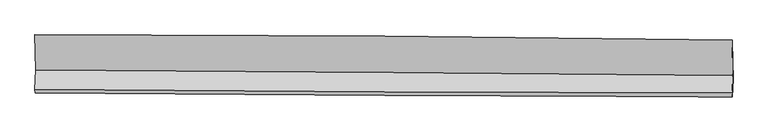
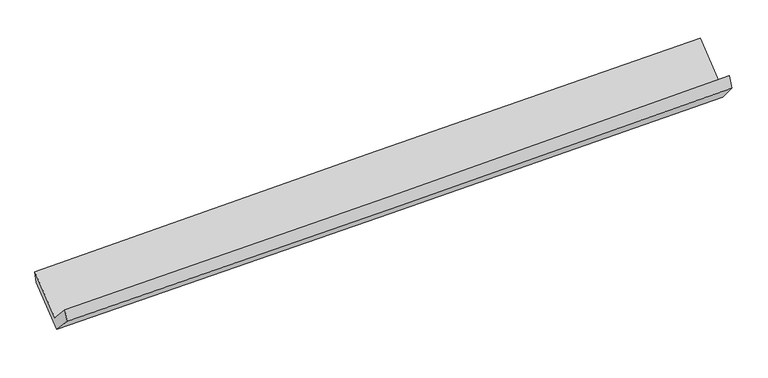
"""IFC4 building model written with IfcOpenShell, lengths in millimetres: proxy geometry."""

import ifcopenshell
import ifcopenshell.guid

model = None  # the IFC model being written
_history = None  # IfcOwnerHistory: only IFC2X3 demands one
_inside = {}  # id of a spatial element -> (the spatial element, [elements in it])
_under = {}  # id of a project, library or spatial element -> (it, [spatial elements below it])
_declared = {}  # id of a project -> (the project, [libraries it declares])
_typed = {}  # id of a type object -> (the type object, [elements of that type])
_made_of = {}  # id of a material, layer set ... -> (it, [elements and type objects made of it])


def new_model(schema):
    """Start an empty IFC model of exactly this schema.

    Asked for "IFC4X3", IfcOpenShell would pick the latest addendum, in which some entities
    have other attributes; the version numbers below select the first issue.
    IFC2X3 requires an IfcOwnerHistory on every rooted entity: one is made here for all.
    """
    global model, _history
    if schema == "IFC4X3":
        model = ifcopenshell.file(schema_version=(4, 3, 0, 0))
    else:
        model = ifcopenshell.file(schema=schema)
    _inside.clear()
    _under.clear()
    _declared.clear()
    _typed.clear()
    _made_of.clear()
    _history = None
    if model.schema == "IFC2X3":
        org = make("IfcOrganization", Name="unknown")
        user = make(
            "IfcPersonAndOrganization",
            ThePerson=make("IfcPerson", FamilyName="unknown"),
            TheOrganization=org,
        )
        app = make(
            "IfcApplication",
            ApplicationDeveloper=org,
            Version="unknown",
            ApplicationFullName="unknown",
            ApplicationIdentifier="unknown",
        )
        _history = make(
            "IfcOwnerHistory",
            OwningUser=user,
            OwningApplication=app,
            ChangeAction="ADDED",
            CreationDate=0,
        )
    return model


def make(cls, **values):
    """One entity of the class cls with the attributes given. An attribute that is None is left unset."""
    return model.create_entity(
        cls, **{name: value for name, value in values.items() if value is not None}
    )


def rooted(cls, **values):
    """An entity with a GlobalId (a new one), such as an element, a storey or a relation."""
    return make(cls, GlobalId=ifcopenshell.guid.new(), OwnerHistory=_history, **values)


def si_unit(unit_type, name, prefix=None):
    """IfcSIUnit, for example si_unit("LENGTHUNIT", "METRE", prefix="MILLI")."""
    return make("IfcSIUnit", UnitType=unit_type, Prefix=prefix, Name=name)


def assignment(units):
    """IfcUnitAssignment: the units of a project."""
    return None if units is None else make("IfcUnitAssignment", Units=units)


def point(xyz):
    """IfcCartesianPoint."""
    return None if xyz is None else make("IfcCartesianPoint", Coordinates=xyz)


def direction(xyz):
    """IfcDirection."""
    return None if xyz is None else make("IfcDirection", DirectionRatios=xyz)


def frame(location, z_axis=None, x_axis=None):
    """IfcAxis2Placement3D, a coordinate frame: its origin and axes. An axis left out is left unset."""
    return make(
        "IfcAxis2Placement3D",
        Location=point(location),
        Axis=direction(z_axis),
        RefDirection=direction(x_axis),
    )


def origin():
    """The frame at (0, 0, 0) with its axes left unset."""
    return frame((0.0, 0.0, 0.0))


def place(relative_to, where):
    """IfcLocalPlacement: puts the frame where relative to a parent placement (None: the world)."""
    return make(
        "IfcLocalPlacement", PlacementRelTo=relative_to, RelativePlacement=where
    )


def context(
    kind, dimensions, precision=None, world=None, true_north=None, identifier=None
):
    """IfcGeometricRepresentationContext, for example the 3D "Model" context."""
    return make(
        "IfcGeometricRepresentationContext",
        ContextIdentifier=identifier,
        ContextType=kind,
        CoordinateSpaceDimension=dimensions,
        Precision=precision,
        WorldCoordinateSystem=world,
        TrueNorth=true_north,
    )


def project(units=None, contexts=None):
    """IfcProject with its units and contexts."""
    return rooted(
        "IfcProject",
        Name="project",
        RepresentationContexts=contexts,
        UnitsInContext=assignment(units),
    )


def spatial(cls, under=None, at=None, **own):
    """A site, building, storey or space (cls), placed at a placement, below another one or the project."""
    s = rooted(cls, ObjectPlacement=at, **own)
    if under is not None:
        _under.setdefault(under.id(), (under, []))[1].append(s)
    return s


def shape(context_of_items, identifier, shape_type, items):
    """IfcShapeRepresentation: the items that make up one representation, for example the "Body"."""
    return make(
        "IfcShapeRepresentation",
        ContextOfItems=context_of_items,
        RepresentationIdentifier=identifier,
        RepresentationType=shape_type,
        Items=items,
    )


def source(mapping_origin, context_of_items, identifier, shape_type, items):
    """IfcRepresentationMap: a shape defined once, which mapped items show again and again."""
    return make(
        "IfcRepresentationMap",
        MappingOrigin=mapping_origin,
        MappedRepresentation=shape(context_of_items, identifier, shape_type, items),
    )


def transform(
    local_origin,
    x_axis=None,
    y_axis=None,
    z_axis=None,
    scale=None,
    scale2=None,
    scale3=None,
    uniform=True,
):
    """IfcCartesianTransformationOperator3D, or its non-uniform kind. x_axis, y_axis, z_axis: its Axis1, 2, 3."""
    if uniform:
        return make(
            "IfcCartesianTransformationOperator3D",
            Axis1=direction(x_axis),
            Axis2=direction(y_axis),
            LocalOrigin=point(local_origin),
            Scale=scale,
            Axis3=direction(z_axis),
        )
    return make(
        "IfcCartesianTransformationOperator3DnonUniform",
        Axis1=direction(x_axis),
        Axis2=direction(y_axis),
        LocalOrigin=point(local_origin),
        Scale=scale,
        Axis3=direction(z_axis),
        Scale2=scale2,
        Scale3=scale3,
    )


def mapped(mapping_source, mapping_target):
    """IfcMappedItem: shows the shape of a source again, moved by a transform."""
    return make(
        "IfcMappedItem", MappingSource=mapping_source, MappingTarget=mapping_target
    )


def made_of(thing, what):
    """Note that an element or type object is made of a material, layer set ...; save() writes the relation."""
    if what is not None:
        _made_of.setdefault(what.id(), (what, []))[1].append(thing)
    return thing


def element(
    cls,
    number,
    at=None,
    inside=None,
    cuts=None,
    type_object=None,
    material=None,
    context=None,
    identifier="Body",
    shape_type=None,
    held_by="IfcProductDefinitionShape",
    body=None,
    shapes=None,
    **own,
):
    """One element of the class cls, such as IfcWall. Its Tag is "e" and its number.

    at: its placement. inside: the storey or other place that contains it. cuts: it is an
    opening in that element (IfcRelVoidsElement). A single representation is given by context,
    identifier, shape_type and body (its items); several are given by shapes. held_by: the class
    of the entity that holds the representations. save() writes the other relations.
    """
    e = rooted(cls, Tag="e%d" % number, ObjectPlacement=at, **own)
    if body is not None:
        shapes = [shape(context, identifier, shape_type, body)]
    if shapes is not None:
        e.Representation = make(held_by, Representations=shapes)
    if inside is not None:
        _inside.setdefault(inside.id(), (inside, []))[1].append(e)
    if cuts is not None:
        rooted(
            "IfcRelVoidsElement", RelatingBuildingElement=cuts, RelatedOpeningElement=e
        )
    if type_object is not None:
        _typed.setdefault(type_object.id(), (type_object, []))[1].append(e)
    return made_of(e, material)


def aggregate(whole, parts):
    """IfcRelAggregates: a whole, such as a stair, and the parts it consists of."""
    return rooted("IfcRelAggregates", RelatingObject=whole, RelatedObjects=parts)


def save(model, path):
    """Write the relations noted so far, then the file.

    IfcRelAggregates (storeys below a building ...), IfcRelContainedInSpatialStructure (elements
    in a storey), IfcRelDefinesByType, IfcRelAssociatesMaterial and IfcRelDeclares: one each for
    every whole, place, type object, material and project.
    """
    for whole, parts in _under.values():
        aggregate(whole, parts)
    for where, things in _inside.values():
        rooted(
            "IfcRelContainedInSpatialStructure",
            RelatedElements=things,
            RelatingStructure=where,
        )
    for kind, things in _typed.values():
        rooted("IfcRelDefinesByType", RelatedObjects=things, RelatingType=kind)
    for what, things in _made_of.values():
        rooted("IfcRelAssociatesMaterial", RelatedObjects=things, RelatingMaterial=what)
    for by, libraries in _declared.values():
        rooted("IfcRelDeclares", RelatingContext=by, RelatedDefinitions=libraries)
    model.write(path)


def plane_surface(at):
    """IfcPlane: the flat surface through the origin of the frame at, square to its z axis."""
    return make("IfcPlane", Position=at)


def spline_curve(degree, points, multiplicities, knots, weights=None):
    """IfcBSplineCurveWithKnots; with weights, IfcRationalBSplineCurveWithKnots."""
    own = dict(
        Degree=degree,
        ControlPointsList=[point(p) for p in points],
        CurveForm="UNSPECIFIED",
        ClosedCurve=False,
        SelfIntersect=False,
        KnotMultiplicities=multiplicities,
        Knots=knots,
        KnotSpec="UNSPECIFIED",
    )
    if weights is None:
        return make("IfcBSplineCurveWithKnots", **own)
    return make("IfcRationalBSplineCurveWithKnots", WeightsData=weights, **own)


def spline_surface(u_degree, v_degree, points, u_multiplicities, v_multiplicities, u_knots, v_knots, weights=None):
    """IfcBSplineSurfaceWithKnots; with weights, IfcRationalBSplineSurfaceWithKnots. points: one row for each step in u."""
    own = dict(
        UDegree=u_degree,
        VDegree=v_degree,
        ControlPointsList=[[point(p) for p in row] for row in points],
        SurfaceForm="UNSPECIFIED",
        UClosed=False,
        VClosed=False,
        SelfIntersect=False,
        UMultiplicities=u_multiplicities,
        VMultiplicities=v_multiplicities,
        UKnots=u_knots,
        VKnots=v_knots,
        KnotSpec="UNSPECIFIED",
    )
    if weights is None:
        return make("IfcBSplineSurfaceWithKnots", **own)
    return make("IfcRationalBSplineSurfaceWithKnots", WeightsData=weights, **own)


def advanced_brep(points, edges, surfaces, faces):
    """IfcAdvancedBrep: a solid bounded by faces that lie on surfaces and meet in shared edges.

    An edge is (start, end): straight between two places in points (the first is 0);
    or (start, end, curve); or (start, end, curve, False) where it runs against its curve.
    A face is (place in surfaces, loops), or (place, loops, False) where it looks against
    its surface's normal. A loop lists edges by number (the first is 1), with a minus sign
    where the edge is run from its end to its start. The first loop is the outer one.
    """
    corners = [point(p) for p in points]
    vertices = [make("IfcVertexPoint", VertexGeometry=c) for c in corners]
    made = []
    for start, end, *more in edges:
        made.append(
            make(
                "IfcEdgeCurve",
                EdgeStart=vertices[start],
                EdgeEnd=vertices[end],
                EdgeGeometry=more[0] if more else make("IfcPolyline", Points=[corners[start], corners[end]]),
                SameSense=more[1] if len(more) > 1 else True,
            )
        )
    hull = []
    for where, loops, *sense in faces:
        bounds = []
        for j, loop in enumerate(loops):
            ring = [make("IfcOrientedEdge", EdgeElement=made[abs(k) - 1], Orientation=k > 0) for k in loop]
            bounds.append(
                make(
                    "IfcFaceOuterBound" if j == 0 else "IfcFaceBound",
                    Bound=make("IfcEdgeLoop", EdgeList=ring),
                    Orientation=True,
                )
            )
        hull.append(make("IfcAdvancedFace", Bounds=bounds, FaceSurface=surfaces[where], SameSense=sense[0] if sense else True))
    return make("IfcAdvancedBrep", Outer=make("IfcClosedShell", CfsFaces=hull))


def generic_models_3fd8dbab(model_context):
    return source(origin(), model_context, "Body", "AdvancedBrep", [
        advanced_brep(
        [(-4770.1051741, -1670.0122891, 1684.5178751), (-4778.7489298, -1936.5669051, 1968.4900081), (4745.587546, -1987.3326046, 2225.1517689), (4754.0598135, -1748.9641831, 1943.5267699), (-4774.9237442, -1984.5992299, 1818.9952227), (4749.5565521, -2042.9991958, 2069.1996394), (-4766.0466746, -1711.4802933, 1527.2675457), (4758.2621335, -1798.0664536, 1779.8190964), (-4775.4059926, -1214.6697039, 1947.488271), (4748.6151745, -1285.9873315, 2212.9545099), (-4779.1684244, -1188.9175438, 2091.4455598), (4744.8527427, -1260.2351714, 2356.9117987)],
        [
            (0, 1),
            (1, 2, spline_curve(3, [(-4778.7489298, -1936.5669051, 1968.4900081), (-3186.634196822, -1950.535383143, 2002.360738214), (-1594.638619108, -1961.754305334, 2040.757810841), (1580.138866242, -1978.645287861, 2126.362628456), (3162.922113759, -1984.348264714, 2173.519475919), (4745.587546, -1987.3326046, 2225.1517689)], [4, 2, 4], [0.0, 15.674125396729508, 31.259876535708152])),
            (2, 3),
            (3, 0, spline_curve(3, [(4754.0598135, -1748.9641831, 1943.5267699), (3171.480044703, -1731.900026834, 1890.722015931), (1588.753959645, -1716.801651752, 1842.78279047), (-1585.966038792, -1690.461997466, 1756.391158637), (-3177.961616405, -1679.243075175, 1717.99408591), (-4770.1051741, -1670.0122891, 1684.5178751)], [4, 2, 4], [0.0, 15.585751138978644, 31.259876535708152])),
            (1, 4),
            (4, 5, spline_curve(3, [(-4774.9237442, -1984.5992299, 1818.9952227), (-3182.833185424, -1997.28449781, 1853.951339331), (-1590.837607882, -2008.503420376, 1892.348411776), (1583.988089715, -2027.953587392, 1975.788576374), (3166.819277724, -2036.201320164, 2020.792976131), (4749.5565521, -2042.9991958, 2069.1996394)], [4, 2, 4], [0.0, 15.674076593243953, 31.25977920390211])),
            (5, 2),
            (4, 6),
            (6, 7, spline_curve(3, [(-4766.0466746, -1711.4802933, 1527.2675457), (-3173.927290776, -1719.427869185, 1561.829142911), (-1581.931713528, -1730.646792052, 1600.226215652), (1592.836497281, -1759.545630341, 1684.45319411), (3175.61052225, -1777.188761471, 1730.23997202), (4758.2621335, -1798.0664536, 1779.8190964)], [4, 2, 4], [0.0, 15.67413806363137, 31.259901798093022])),
            (7, 5),
            (6, 8),
            (8, 9, spline_curve(3, [(-4775.4059926, -1214.6697039, 1947.488271), (-3183.238260492, -1225.183699497, 1979.879095849), (-1591.242683036, -1236.40262216, 2018.276168167), (1583.429103189, -1260.183091685, 2106.832453088), (3166.107248003, -1272.736711274, 2156.92412652), (4748.6151745, -1285.9873315, 2212.9545099)], [4, 2, 4], [0.0, 15.674232440358177, 31.26009001942934])),
            (9, 7),
            (8, 10),
            (10, 11, spline_curve(3, [(-4779.1684244, -1188.9175438, 2091.4455598), (-3187.192996956, -1189.223659476, 2132.470586588), (-1595.293299505, -1195.353070806, 2175.172554636), (1579.379571192, -1219.191094728, 2263.680158045), (3162.153596571, -1236.834225481, 2309.466935789), (4744.8527427, -1260.2351714, 2356.9117987)], [4, 2, 4], [0.0, 15.67417926413568, 31.259983966803897])),
            (11, 9),
            (10, 0),
            (3, 11),
        ],
        [
            spline_surface(3, 3, [[(-4770.1051741, -1670.0122891, 1684.5178751), (-3177.961616355, -1679.243075065, 1717.99408613), (-1585.966038851, -1690.461997654, 1756.391158709), (1588.753959704, -1716.801651565, 1842.782790399), (3171.480044716, -1731.900027001, 1890.722016087), (4754.0598135, -1748.9641831, 1943.5267699)], [(-4772.986425998, -1758.863827746, 1779.175252745), (-3180.852476483, -1769.673844387, 1812.78297021), (-1588.856898979, -1780.892766975, 1851.180042788), (1585.882261862, -1804.082863595, 1937.309403073), (3168.62740112, -1816.049439655, 1984.987836101), (4751.235724338, -1828.420323617, 2037.401769564)], [(-4775.867677902, -1847.715366454, 1873.832630455), (-3183.743336617, -1860.10461377, 1907.571854354), (-1591.747759013, -1871.323536258, 1945.968926833), (1583.010564115, -1891.364075587, 2031.836015712), (3165.774757509, -1900.198852258, 2079.253656122), (4748.411635162, -1907.876464083, 2131.276769236)], [(-4778.7489298, -1936.5669051, 1968.4900081), (-3186.634196745, -1950.535383091, 2002.360738433), (-1594.638619141, -1961.754305579, 2040.757810912), (1580.138866274, -1978.645287617, 2126.362628385), (3162.922113913, -1984.348264911, 2173.519476135), (4745.587546, -1987.3326046, 2225.1517689)]], [4, 4], [4, 2, 4], [0.0, 1.2782206381529906], [0.0, 15.674125396729508, 31.259876535708152]),
            spline_surface(3, 3, [[(-4778.7489298, -1936.5669051, 1968.4900081), (-3186.634196745, -1950.535383091, 2002.360738433), (-1594.638619141, -1961.754305579, 2040.757810912), (1580.138866274, -1978.645287617, 2126.362628385), (3162.922113913, -1984.348264911, 2173.519476135), (4745.587546, -1987.3326046, 2225.1517689)], [(-4777.473867946, -1952.577680035, 1918.658412982), (-3185.367192938, -1966.118421403, 1952.890938731), (-1593.371615334, -1977.337343892, 1991.28801121), (1581.421940742, -1995.081387498, 2076.171277736), (3164.221168432, -2001.632616608, 2122.610642806), (4746.910548007, -2005.888134982, 2173.167725742)], [(-4776.198806054, -1968.588454965, 1868.826817818), (-3184.100189093, -1981.701459711, 1903.421138983), (-1592.104611589, -1992.9203822, 1941.818211461), (1582.705015148, -2011.517487376, 2025.97992704), (3165.52022303, -2018.916968361, 2071.701809452), (4748.233550093, -2024.443665418, 2121.183682558)], [(-4774.9237442, -1984.5992299, 1818.9952227), (-3182.833185286, -1997.284498024, 1853.951339281), (-1590.837607782, -2008.503420512, 1892.348411759), (1583.988089616, -2027.953587257, 1975.78857639), (3166.819277549, -2036.201320058, 2020.792976122), (4749.5565521, -2042.9991958, 2069.1996394)]], [4, 4], [4, 2, 4], [0.0, 0.5152762400718246], [0.0, 15.674076593243953, 31.25977920390211]),
            spline_surface(3, 3, [[(-4774.9237442, -1984.5992299, 1818.9952227), (-3182.833185286, -1997.284498024, 1853.951339281), (-1590.837607782, -2008.503420512, 1892.348411759), (1583.988089616, -2027.953587257, 1975.78857639), (3166.819277549, -2036.201320058, 2020.792976122), (4749.5565521, -2042.9991958, 2069.1996394)], [(-4771.964720982, -1893.559584363, 1721.752663692), (-3179.864553838, -1904.665621812, 1756.577273838), (-1587.868976334, -1915.8845443, 1794.974346317), (1586.937558778, -1938.484268337, 1878.676782354), (3169.749692465, -1949.863800514, 1923.941974746), (4752.458412582, -1961.354948392, 1972.739458373)], [(-4769.005697818, -1802.519938837, 1624.510104708), (-3176.895922445, -1812.04674561, 1659.20320842), (-1584.900344841, -1823.265668098, 1697.600280899), (1589.887027984, -1849.014949426, 1781.564988341), (3172.680107335, -1863.526280992, 1827.09097345), (4755.360273018, -1879.710701008, 1876.279277427)], [(-4766.0466746, -1711.4802933, 1527.2675457), (-3173.927290996, -1719.427869398, 1561.829142978), (-1581.931713392, -1730.646791886, 1600.226215456), (1592.836497146, -1759.545630506, 1684.453194305), (3175.610522252, -1777.188761448, 1730.239972074), (4758.2621335, -1798.0664536, 1779.8190964)]], [4, 4], [4, 2, 4], [0.0, 1.3115219166864778], [0.0, 15.67413806363137, 31.259901798093022]),
            spline_surface(3, 3, [[(-4766.0466746, -1711.4802933, 1527.2675457), (-3173.927290996, -1719.427869398, 1561.829142978), (-1581.931713392, -1730.646791886, 1600.226215456), (1592.836497146, -1759.545630506, 1684.453194305), (3175.610522252, -1777.188761448, 1730.239972074), (4758.2621335, -1798.0664536, 1779.8190964)], [(-4769.166447289, -1545.87676351, 1667.341120815), (-3177.03094759, -1554.679812853, 1701.179127261), (-1585.035369986, -1565.898735341, 1739.57619974), (1589.700699229, -1593.091450822, 1825.246280483), (3172.442764233, -1609.038078133, 1872.468023613), (4755.046480506, -1627.373412916, 1924.197567597)], [(-4772.286219911, -1380.27323369, 1807.414695885), (-3180.134604119, -1389.931756278, 1840.529111499), (-1588.139026615, -1401.150678866, 1878.926184078), (1586.564901278, -1426.637271208, 1966.039366716), (3169.275006198, -1440.88739477, 2014.696075062), (4751.830827494, -1456.680372184, 2068.576038703)], [(-4775.4059926, -1214.6697039, 1947.488271), (-3183.238260714, -1225.183699733, 1979.879095783), (-1591.24268321, -1236.402622321, 2018.276168361), (1583.429103362, -1260.183091525, 2106.832452894), (3166.10724818, -1272.736711455, 2156.9241266), (4748.6151745, -1285.9873315, 2212.9545099)]], [4, 4], [4, 2, 4], [0.0, 2.1349595612458394], [0.0, 15.674232440358177, 31.26009001942934]),
            spline_surface(3, 3, [[(-4775.4059926, -1214.6697039, 1947.488271), (-3183.238260714, -1225.183699733, 1979.879095783), (-1591.24268321, -1236.402622321, 2018.276168361), (1583.429103362, -1260.183091525, 2106.832452894), (3166.10724818, -1272.736711455, 2156.9241266), (4748.6151745, -1285.9873315, 2212.9545099)], [(-4776.660136531, -1206.08565054, 1995.474033912), (-3184.556506069, -1213.197019603, 2030.742925951), (-1592.592888667, -1222.71943856, 2070.57496389), (1582.079259323, -1246.519092541, 2159.11502123), (3164.789364243, -1260.769216103, 2207.771729575), (4747.361030569, -1277.40327814, 2260.940272812)], [(-4777.914280469, -1197.50159716, 2043.459796888), (-3185.874751431, -1201.210339453, 2081.606756181), (-1593.943094113, -1209.03625476, 2122.873759336), (1580.729415295, -1232.85509352, 2211.397589483), (3163.471480299, -1248.801720731, 2258.619332613), (4746.106886631, -1268.81922476, 2308.926035788)], [(-4779.1684244, -1188.9175438, 2091.4455598), (-3187.192996786, -1189.223659323, 2132.470586349), (-1595.29329957, -1195.353070999, 2175.172554864), (1579.379571257, -1219.191094536, 2263.680157818), (3162.153596363, -1236.834225378, 2309.466935588), (4744.8527427, -1260.2351714, 2356.9117987)]], [4, 4], [4, 2, 4], [0.0, 0.5321433299597624], [0.0, 15.67417926413568, 31.259983966803897]),
            spline_surface(3, 3, [[(-4779.1684244, -1188.9175438, 2091.4455598), (-3187.192996786, -1189.223659323, 2132.470586349), (-1595.29329957, -1195.353070999, 2175.172554864), (1579.379571257, -1219.191094536, 2263.680157818), (3162.153596363, -1236.834225378, 2309.466935588), (4744.8527427, -1260.2351714, 2356.9117987)], [(-4776.147340955, -1349.282458906, 1955.802998253), (-3184.115869963, -1352.563464576, 1994.311752962), (-1592.184212646, -1360.389379883, 2035.578756117), (1582.504367424, -1385.061280212, 2123.381035317), (3165.262412479, -1401.856159239, 2169.885295766), (4747.921766298, -1423.144841953, 2219.116789112)], [(-4773.126257545, -1509.647373994, 1820.160436647), (-3181.038743177, -1515.903269812, 1856.152919517), (-1589.075125775, -1525.425688769, 1895.984957456), (1585.629163537, -1550.931465889, 1983.081912901), (3168.3712286, -1566.878093141, 2030.303655908), (4750.990789902, -1586.054512547, 2081.321779488)], [(-4770.1051741, -1670.0122891, 1684.5178751), (-3177.961616355, -1679.243075065, 1717.99408613), (-1585.966038851, -1690.461997654, 1756.391158709), (1588.753959704, -1716.801651565, 1842.782790399), (3171.480044716, -1731.900027001, 1890.722016087), (4754.0598135, -1748.9641831, 1943.5267699)]], [4, 4], [4, 2, 4], [0.0, 2.1330842644163153], [0.0, 15.674201306001516, 31.26002792625855]),
            plane_surface(frame((4750.1556604, -1687.2641567, 2097.9272639), z_axis=(0.9996330115940537, -0.0038489625003891746, 0.026814690359446745), x_axis=(-0.025718834948833674, 0.17603390337495584, 0.9840480711791734))),
            plane_surface(frame((-4774.06649, -1617.7076608, 1839.7007471), z_axis=(-0.9996330115940535, 0.0038489625004313483, -0.026814690359451936), x_axis=(-0.014382045876204773, 0.7634266340738523, 0.6457344122339178))),
        ],
        [
            (0, [[1, 2, 3, 4]]),
            (1, [[5, 6, 7, -2]]),
            (2, [[8, 9, 10, -6]]),
            (3, [[11, 12, 13, -9]]),
            (4, [[14, 15, 16, -12]]),
            (5, [[17, -4, 18, -15]]),
            (6, [[-16, -18, -3, -7, -10, -13]]),
            (7, [[-17, -14, -11, -8, -5, -1]]),
        ],
    ),
    ])


if __name__ == "__main__":
    model = new_model("IFC4")
    model_context = context("Model", 3, world=origin())
    ifc_project = project(units=[si_unit("LENGTHUNIT", "METRE", prefix="MILLI")], contexts=[model_context])
    site = spatial("IfcSite", under=ifc_project)
    building = spatial("IfcBuilding", under=site)
    placement = place(None, origin())
    generic_models_shape = generic_models_3fd8dbab(model_context)
    element("IfcBuildingElementProxy", 1, Name="Generic Models", at=placement, inside=building, context=model_context, shape_type="MappedRepresentation", body=[
        mapped(generic_models_shape, transform((0.0, 0.0, 0.0), x_axis=(1.0, 0.0, 0.0), y_axis=(0.0, 1.0, 0.0), z_axis=(0.0, 0.0, 1.0))),
    ])
    save(model, "model.ifc")
